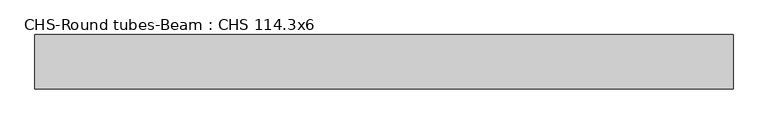
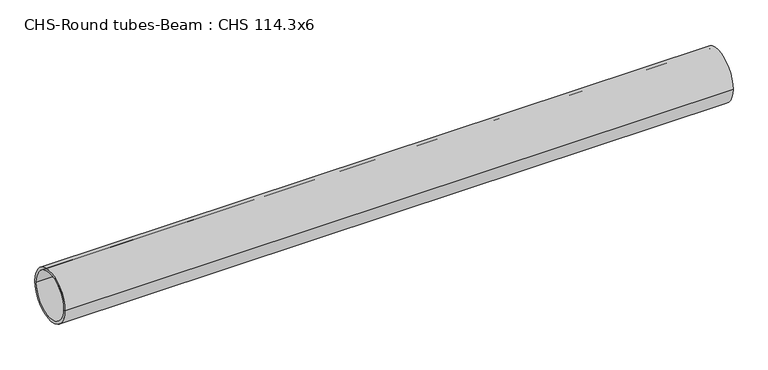
"""IFC4 building model written with IfcOpenShell, lengths in millimetres: beam geometry, CHS-Round tubes-Beam : CHS 114.3x6."""

import ifcopenshell
import ifcopenshell.guid

model = None  # the IFC model being written
_history = None  # IfcOwnerHistory: only IFC2X3 demands one
_inside = {}  # id of a spatial element -> (the spatial element, [elements in it])
_under = {}  # id of a project, library or spatial element -> (it, [spatial elements below it])
_declared = {}  # id of a project -> (the project, [libraries it declares])
_typed = {}  # id of a type object -> (the type object, [elements of that type])
_made_of = {}  # id of a material, layer set ... -> (it, [elements and type objects made of it])


def new_model(schema):
    """Start an empty IFC model of exactly this schema.

    Asked for "IFC4X3", IfcOpenShell would pick the latest addendum, in which some entities
    have other attributes; the version numbers below select the first issue.
    IFC2X3 requires an IfcOwnerHistory on every rooted entity: one is made here for all.
    """
    global model, _history
    if schema == "IFC4X3":
        model = ifcopenshell.file(schema_version=(4, 3, 0, 0))
    else:
        model = ifcopenshell.file(schema=schema)
    _inside.clear()
    _under.clear()
    _declared.clear()
    _typed.clear()
    _made_of.clear()
    _history = None
    if model.schema == "IFC2X3":
        org = make("IfcOrganization", Name="unknown")
        user = make(
            "IfcPersonAndOrganization",
            ThePerson=make("IfcPerson", FamilyName="unknown"),
            TheOrganization=org,
        )
        app = make(
            "IfcApplication",
            ApplicationDeveloper=org,
            Version="unknown",
            ApplicationFullName="unknown",
            ApplicationIdentifier="unknown",
        )
        _history = make(
            "IfcOwnerHistory",
            OwningUser=user,
            OwningApplication=app,
            ChangeAction="ADDED",
            CreationDate=0,
        )
    return model


def make(cls, **values):
    """One entity of the class cls with the attributes given. An attribute that is None is left unset."""
    return model.create_entity(
        cls, **{name: value for name, value in values.items() if value is not None}
    )


def rooted(cls, **values):
    """An entity with a GlobalId (a new one), such as an element, a storey or a relation."""
    return make(cls, GlobalId=ifcopenshell.guid.new(), OwnerHistory=_history, **values)


def si_unit(unit_type, name, prefix=None):
    """IfcSIUnit, for example si_unit("LENGTHUNIT", "METRE", prefix="MILLI")."""
    return make("IfcSIUnit", UnitType=unit_type, Prefix=prefix, Name=name)


def assignment(units):
    """IfcUnitAssignment: the units of a project."""
    return None if units is None else make("IfcUnitAssignment", Units=units)


def point(xyz):
    """IfcCartesianPoint."""
    return None if xyz is None else make("IfcCartesianPoint", Coordinates=xyz)


def direction(xyz):
    """IfcDirection."""
    return None if xyz is None else make("IfcDirection", DirectionRatios=xyz)


def frame(location, z_axis=None, x_axis=None):
    """IfcAxis2Placement3D, a coordinate frame: its origin and axes. An axis left out is left unset."""
    return make(
        "IfcAxis2Placement3D",
        Location=point(location),
        Axis=direction(z_axis),
        RefDirection=direction(x_axis),
    )


def frame_2d(location, x_axis=None):
    """IfcAxis2Placement2D, a coordinate frame in the plane: its origin and x axis."""
    return make(
        "IfcAxis2Placement2D", Location=point(location), RefDirection=direction(x_axis)
    )


def origin():
    """The frame at (0, 0, 0) with its axes left unset."""
    return frame((0.0, 0.0, 0.0))


def origin_2d():
    """The frame at (0, 0) in the plane with its x axis left unset."""
    return frame_2d((0.0, 0.0))


def place(relative_to, where):
    """IfcLocalPlacement: puts the frame where relative to a parent placement (None: the world)."""
    return make(
        "IfcLocalPlacement", PlacementRelTo=relative_to, RelativePlacement=where
    )


def context(
    kind, dimensions, precision=None, world=None, true_north=None, identifier=None
):
    """IfcGeometricRepresentationContext, for example the 3D "Model" context."""
    return make(
        "IfcGeometricRepresentationContext",
        ContextIdentifier=identifier,
        ContextType=kind,
        CoordinateSpaceDimension=dimensions,
        Precision=precision,
        WorldCoordinateSystem=world,
        TrueNorth=true_north,
    )


def project(units=None, contexts=None):
    """IfcProject with its units and contexts."""
    return rooted(
        "IfcProject",
        Name="project",
        RepresentationContexts=contexts,
        UnitsInContext=assignment(units),
    )


def spatial(cls, under=None, at=None, **own):
    """A site, building, storey or space (cls), placed at a placement, below another one or the project."""
    s = rooted(cls, ObjectPlacement=at, **own)
    if under is not None:
        _under.setdefault(under.id(), (under, []))[1].append(s)
    return s


def circle_curve(where, radius):
    """IfcCircle in the frame where."""
    return make("IfcCircle", Position=where, Radius=radius)


def trimmed(basis, trim1, trim2, sense, master):
    """IfcTrimmedCurve: the piece of a basis curve between two trims."""
    return make(
        "IfcTrimmedCurve",
        BasisCurve=basis,
        Trim1=trim1,
        Trim2=trim2,
        SenseAgreement=sense,
        MasterRepresentation=master,
    )


def segment(curve, same_sense, transition):
    """IfcCompositeCurveSegment."""
    return make(
        "IfcCompositeCurveSegment",
        Transition=transition,
        SameSense=same_sense,
        ParentCurve=curve,
    )


def composite_curve(segments, self_intersect=None):
    """IfcCompositeCurve: segments joined end to end."""
    return make("IfcCompositeCurve", Segments=segments, SelfIntersect=self_intersect)


def outline(outer, holes=None, kind="AREA"):
    """IfcArbitraryClosedProfileDef: a profile drawn as a closed curve; with holes, ...WithVoids."""
    if holes is None:
        return make("IfcArbitraryClosedProfileDef", ProfileType=kind, OuterCurve=outer)
    return make(
        "IfcArbitraryProfileDefWithVoids",
        ProfileType=kind,
        OuterCurve=outer,
        InnerCurves=holes,
    )


def extrude(swept, where, along, depth):
    """IfcExtrudedAreaSolid: the profile swept, set in the frame where, extruded along a direction by depth."""
    return make(
        "IfcExtrudedAreaSolid",
        SweptArea=swept,
        Position=where,
        ExtrudedDirection=direction(along),
        Depth=depth,
    )


def shape(context_of_items, identifier, shape_type, items):
    """IfcShapeRepresentation: the items that make up one representation, for example the "Body"."""
    return make(
        "IfcShapeRepresentation",
        ContextOfItems=context_of_items,
        RepresentationIdentifier=identifier,
        RepresentationType=shape_type,
        Items=items,
    )


def source(mapping_origin, context_of_items, identifier, shape_type, items):
    """IfcRepresentationMap: a shape defined once, which mapped items show again and again."""
    return make(
        "IfcRepresentationMap",
        MappingOrigin=mapping_origin,
        MappedRepresentation=shape(context_of_items, identifier, shape_type, items),
    )


def transform(
    local_origin,
    x_axis=None,
    y_axis=None,
    z_axis=None,
    scale=None,
    scale2=None,
    scale3=None,
    uniform=True,
):
    """IfcCartesianTransformationOperator3D, or its non-uniform kind. x_axis, y_axis, z_axis: its Axis1, 2, 3."""
    if uniform:
        return make(
            "IfcCartesianTransformationOperator3D",
            Axis1=direction(x_axis),
            Axis2=direction(y_axis),
            LocalOrigin=point(local_origin),
            Scale=scale,
            Axis3=direction(z_axis),
        )
    return make(
        "IfcCartesianTransformationOperator3DnonUniform",
        Axis1=direction(x_axis),
        Axis2=direction(y_axis),
        LocalOrigin=point(local_origin),
        Scale=scale,
        Axis3=direction(z_axis),
        Scale2=scale2,
        Scale3=scale3,
    )


def mapped(mapping_source, mapping_target):
    """IfcMappedItem: shows the shape of a source again, moved by a transform."""
    return make(
        "IfcMappedItem", MappingSource=mapping_source, MappingTarget=mapping_target
    )


def made_of(thing, what):
    """Note that an element or type object is made of a material, layer set ...; save() writes the relation."""
    if what is not None:
        _made_of.setdefault(what.id(), (what, []))[1].append(thing)
    return thing


def element(
    cls,
    number,
    at=None,
    inside=None,
    cuts=None,
    type_object=None,
    material=None,
    context=None,
    identifier="Body",
    shape_type=None,
    held_by="IfcProductDefinitionShape",
    body=None,
    shapes=None,
    **own,
):
    """One element of the class cls, such as IfcWall. Its Tag is "e" and its number.

    at: its placement. inside: the storey or other place that contains it. cuts: it is an
    opening in that element (IfcRelVoidsElement). A single representation is given by context,
    identifier, shape_type and body (its items); several are given by shapes. held_by: the class
    of the entity that holds the representations. save() writes the other relations.
    """
    e = rooted(cls, Tag="e%d" % number, ObjectPlacement=at, **own)
    if body is not None:
        shapes = [shape(context, identifier, shape_type, body)]
    if shapes is not None:
        e.Representation = make(held_by, Representations=shapes)
    if inside is not None:
        _inside.setdefault(inside.id(), (inside, []))[1].append(e)
    if cuts is not None:
        rooted(
            "IfcRelVoidsElement", RelatingBuildingElement=cuts, RelatedOpeningElement=e
        )
    if type_object is not None:
        _typed.setdefault(type_object.id(), (type_object, []))[1].append(e)
    return made_of(e, material)


def aggregate(whole, parts):
    """IfcRelAggregates: a whole, such as a stair, and the parts it consists of."""
    return rooted("IfcRelAggregates", RelatingObject=whole, RelatedObjects=parts)


def save(model, path):
    """Write the relations noted so far, then the file.

    IfcRelAggregates (storeys below a building ...), IfcRelContainedInSpatialStructure (elements
    in a storey), IfcRelDefinesByType, IfcRelAssociatesMaterial and IfcRelDeclares: one each for
    every whole, place, type object, material and project.
    """
    for whole, parts in _under.values():
        aggregate(whole, parts)
    for where, things in _inside.values():
        rooted(
            "IfcRelContainedInSpatialStructure",
            RelatedElements=things,
            RelatingStructure=where,
        )
    for kind, things in _typed.values():
        rooted("IfcRelDefinesByType", RelatedObjects=things, RelatingType=kind)
    for what, things in _made_of.values():
        rooted("IfcRelAssociatesMaterial", RelatedObjects=things, RelatingMaterial=what)
    for by, libraries in _declared.values():
        rooted("IfcRelDeclares", RelatingContext=by, RelatedDefinitions=libraries)
    model.write(path)


def chs_round_tubes_beam_chs_114_3x6_8293e4a2(model_context):
    return source(origin(), model_context, "Body", "SweptSolid", [
        extrude(outline(composite_curve([segment(trimmed(circle_curve(origin_2d(), 57.15), [point((57.15, 0.0))], [point((-57.15, 0.0))], False, "CARTESIAN"), True, "CONTINUOUS"), segment(trimmed(circle_curve(origin_2d(), 57.15), [point((-57.15, 0.0))], [point((57.15, 0.0))], False, "CARTESIAN"), True, "CONTINUOUS")], self_intersect=False), holes=[composite_curve([segment(trimmed(circle_curve(origin_2d(), 51.15), [point((51.15, 0.0))], [point((-51.15, 0.0))], True, "CARTESIAN"), True, "CONTINUOUS"), segment(trimmed(circle_curve(origin_2d(), 51.15), [point((-51.15, 0.0))], [point((51.15, 0.0))], True, "CARTESIAN"), True, "CONTINUOUS")], self_intersect=False)]), frame((-702.7334388, 0.0, 0.0), z_axis=(1.0, 0.0, 0.0), x_axis=(0.0, 1.0, 0.0)), (0.0, 0.0, 1.0), 1471.2293057),
    ])


if __name__ == "__main__":
    model = new_model("IFC4")
    model_context = context("Model", 3, world=origin())
    ifc_project = project(units=[si_unit("LENGTHUNIT", "METRE", prefix="MILLI")], contexts=[model_context])
    site = spatial("IfcSite", under=ifc_project)
    building = spatial("IfcBuilding", under=site)
    placement = place(None, origin())
    chs_round_tubes_beam_chs_114_3x6_shape = chs_round_tubes_beam_chs_114_3x6_8293e4a2(model_context)
    element("IfcBeam", 1, ObjectType="CHS-Round tubes-Beam : CHS 114.3x6", at=placement, inside=building, context=model_context, shape_type="MappedRepresentation", body=[
        mapped(chs_round_tubes_beam_chs_114_3x6_shape, transform((0.0, 0.0, 0.0), x_axis=(1.0, 0.0, 0.0), y_axis=(0.0, 1.0, 0.0), z_axis=(0.0, 0.0, 1.0))),
    ])
    save(model, "model.ifc")
